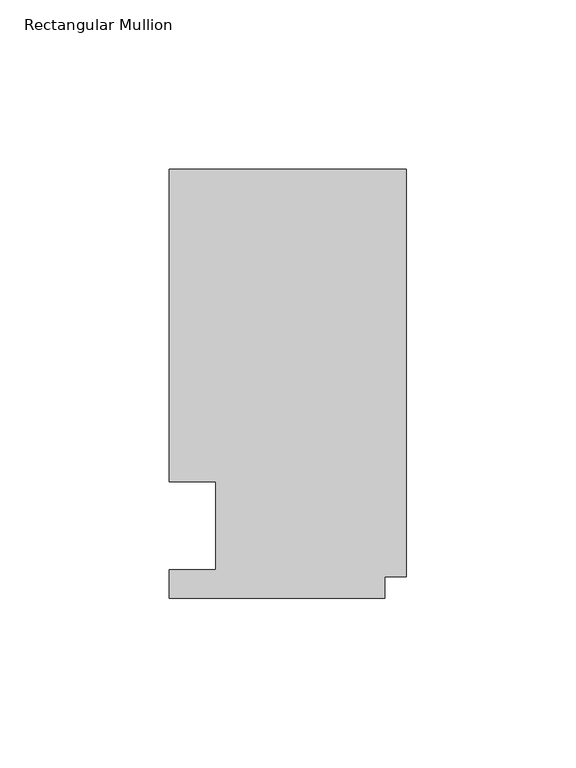
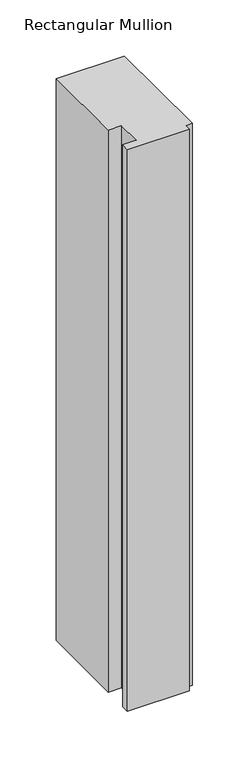
"""IFC4 building model written with IfcOpenShell, lengths in millimetres: member geometry, Rectangular Mullion."""

from ifc_helpers import new_model, si_unit, frame, origin, place, context, project, spatial, polyline, outline, extrude, source, transform, mapped, element, save


def rectangular_mullion_aa4bbe6e(model_context):
    return source(origin(), model_context, "Body", "SweptSolid", [
        extrude(outline(polyline([(-69.85, -0.0111125), (-69.85, 8.3454875), (-56.1848, 8.3454875), (-56.1848, 34.3296875), (-69.85, 34.3296875), (-69.85, 126.4808875), (0.0, 126.4808875), (0.0, 6.3388875), (-6.35, 6.3388875), (-6.35, -0.0111125), (-69.85, -0.0111125)])), frame((0.0, 0.0, -609.6), z_axis=(0.0, 0.0, 1.0), x_axis=(1.0, 0.0, 0.0)), (0.0, 0.0, 1.0), 609.6),
    ])


if __name__ == "__main__":
    model = new_model("IFC4")
    model_context = context("Model", 3, world=origin())
    ifc_project = project(units=[si_unit("LENGTHUNIT", "METRE", prefix="MILLI")], contexts=[model_context])
    site = spatial("IfcSite", under=ifc_project)
    building = spatial("IfcBuilding", under=site)
    placement = place(None, origin())
    rectangular_mullion_shape = rectangular_mullion_aa4bbe6e(model_context)
    element("IfcMember", 1, ObjectType="Rectangular Mullion", at=placement, inside=building, context=model_context, shape_type="MappedRepresentation", body=[
        mapped(rectangular_mullion_shape, transform((0.0, 0.0, 0.0), x_axis=(1.0, 0.0, 0.0), y_axis=(0.0, 1.0, 0.0), z_axis=(0.0, 0.0, 1.0))),
    ])
    save(model, "model.ifc")
